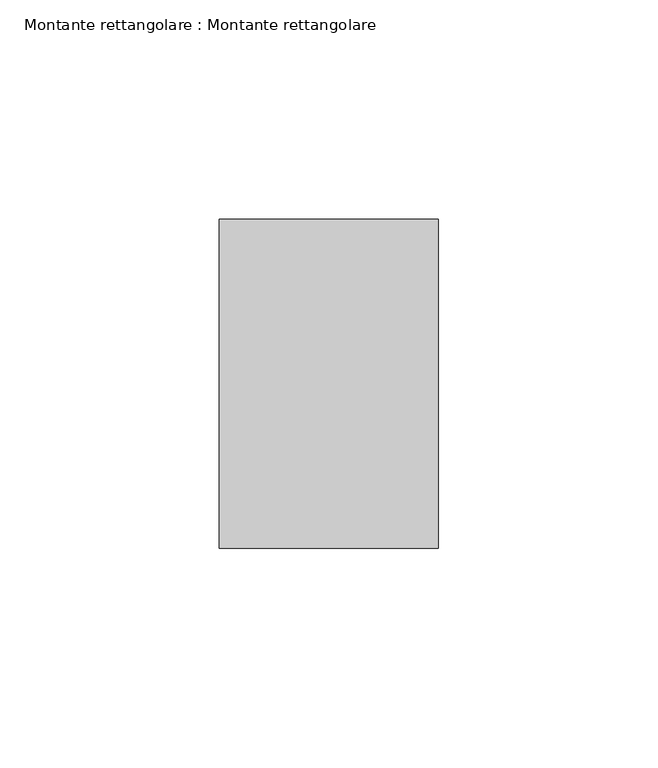
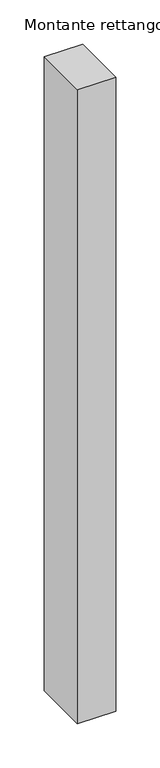
"""IFC4 building model written with IfcOpenShell, lengths in millimetres: member geometry, Montante rettangolare : Montante rettangolare."""

from ifc_helpers import new_model, si_unit, frame, origin, place, context, project, spatial, polyline, outline, extrude, source, transform, mapped, element, save


def montante_rettangolare_montante_rettangolare_cfcc70b2(model_context):
    return source(origin(), model_context, "Body", "SweptSolid", [
        extrude(outline(polyline([(25.0, 37.5), (25.0, -37.5), (-25.0, -37.5), (-25.0, 37.5), (25.0, 37.5)])), frame((0.0, 0.0, -875.0), z_axis=(0.0, 0.0, 1.0), x_axis=(1.0, 0.0, 0.0)), (0.0, 0.0, 1.0), 875.0),
    ])


if __name__ == "__main__":
    model = new_model("IFC4")
    model_context = context("Model", 3, world=origin())
    ifc_project = project(units=[si_unit("LENGTHUNIT", "METRE", prefix="MILLI")], contexts=[model_context])
    site = spatial("IfcSite", under=ifc_project)
    building = spatial("IfcBuilding", under=site)
    placement = place(None, origin())
    montante_rettangolare_montante_rettangolare_shape = montante_rettangolare_montante_rettangolare_cfcc70b2(model_context)
    element("IfcMember", 1, ObjectType="Montante rettangolare : Montante rettangolare", at=placement, inside=building, context=model_context, shape_type="MappedRepresentation", body=[
        mapped(montante_rettangolare_montante_rettangolare_shape, transform((0.0, 0.0, 0.0), x_axis=(1.0, 0.0, 0.0), y_axis=(0.0, 1.0, 0.0), z_axis=(0.0, 0.0, 1.0))),
    ])
    save(model, "model.ifc")
